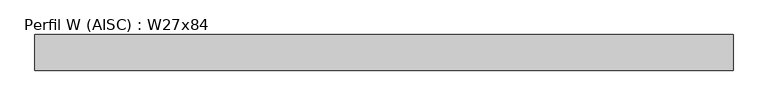
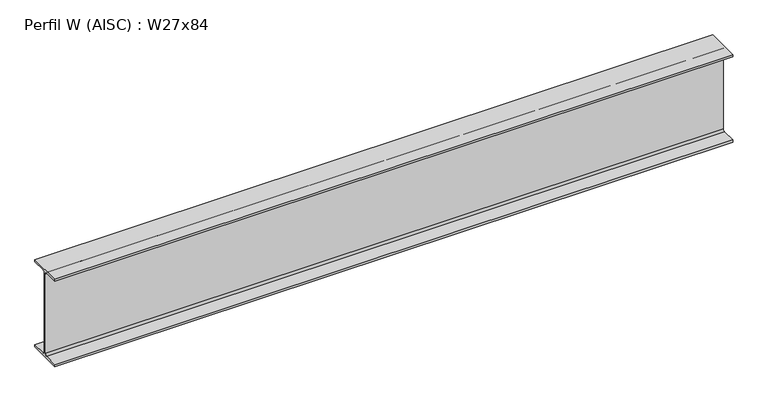
"""IFC4 building model written with IfcOpenShell, lengths in millimetres: beam geometry, Perfil W (AISC) : W27x84."""

from ifc_helpers import new_model, si_unit, point, frame, frame_2d, origin, place, context, project, spatial, polyline, circle_curve, trimmed, segment, composite_curve, outline, extrude, source, transform, mapped, element, save


def perfil_w_aisc_w27x84_4a7d2a79(model_context):
    return source(origin(), model_context, "Body", "SweptSolid", [
        extrude(outline(composite_curve([segment(polyline([(127.0, -322.7), (127.0, -339.0), (-127.0, -339.0), (-127.0, -322.7), (-21.05, -322.7)]), True, "CONTINUOUS"), segment(trimmed(circle_curve(frame_2d((-21.05, -307.5)), 15.2), [point((-21.05, -322.7))], [point((-5.85, -307.5))], True, "CARTESIAN"), True, "CONTINUOUS"), segment(polyline([(-5.85, -307.5), (-5.85, 307.5)]), True, "CONTINUOUS"), segment(trimmed(circle_curve(frame_2d((-21.05, 307.5)), 15.2), [point((-5.85, 307.5))], [point((-21.05, 322.7))], True, "CARTESIAN"), True, "CONTINUOUS"), segment(polyline([(-21.05, 322.7), (-127.0, 322.7), (-127.0, 339.0), (127.0, 339.0), (127.0, 322.7), (21.05, 322.7)]), True, "CONTINUOUS"), segment(trimmed(circle_curve(frame_2d((21.05, 307.5)), 15.2), [point((21.05, 322.7))], [point((5.85, 307.5))], True, "CARTESIAN"), True, "CONTINUOUS"), segment(polyline([(5.85, 307.5), (5.85, -307.5)]), True, "CONTINUOUS"), segment(trimmed(circle_curve(frame_2d((21.05, -307.5)), 15.2), [point((5.85, -307.5))], [point((21.05, -322.7))], True, "CARTESIAN"), True, "CONTINUOUS"), segment(polyline([(21.05, -322.7), (127.0, -322.7)]), True, "CONTINUOUS")], self_intersect=False)), frame((-2490.95, 0.0, 0.0), z_axis=(1.0, 0.0, 0.0), x_axis=(0.0, 1.0, 0.0)), (0.0, 0.0, 1.0), 4981.9),
    ])


if __name__ == "__main__":
    model = new_model("IFC4")
    model_context = context("Model", 3, world=origin())
    ifc_project = project(units=[si_unit("LENGTHUNIT", "METRE", prefix="MILLI")], contexts=[model_context])
    site = spatial("IfcSite", under=ifc_project)
    building = spatial("IfcBuilding", under=site)
    placement = place(None, origin())
    perfil_w_aisc_w27x84_shape = perfil_w_aisc_w27x84_4a7d2a79(model_context)
    element("IfcBeam", 1, ObjectType="Perfil W (AISC) : W27x84", at=placement, inside=building, context=model_context, shape_type="MappedRepresentation", body=[
        mapped(perfil_w_aisc_w27x84_shape, transform((0.0, 0.0, 0.0), x_axis=(1.0, 0.0, 0.0), y_axis=(0.0, 1.0, 0.0), z_axis=(0.0, 0.0, 1.0))),
    ])
    save(model, "model.ifc")
